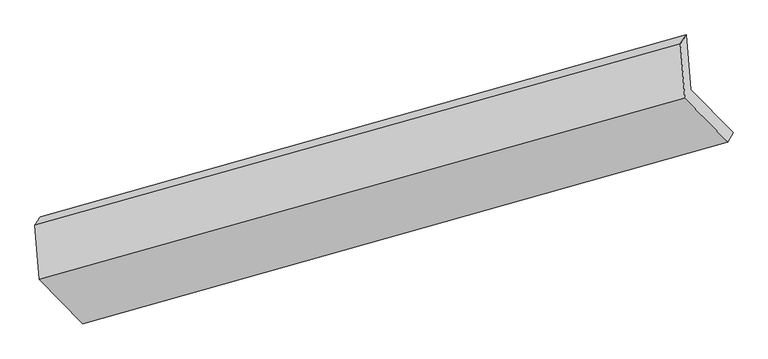
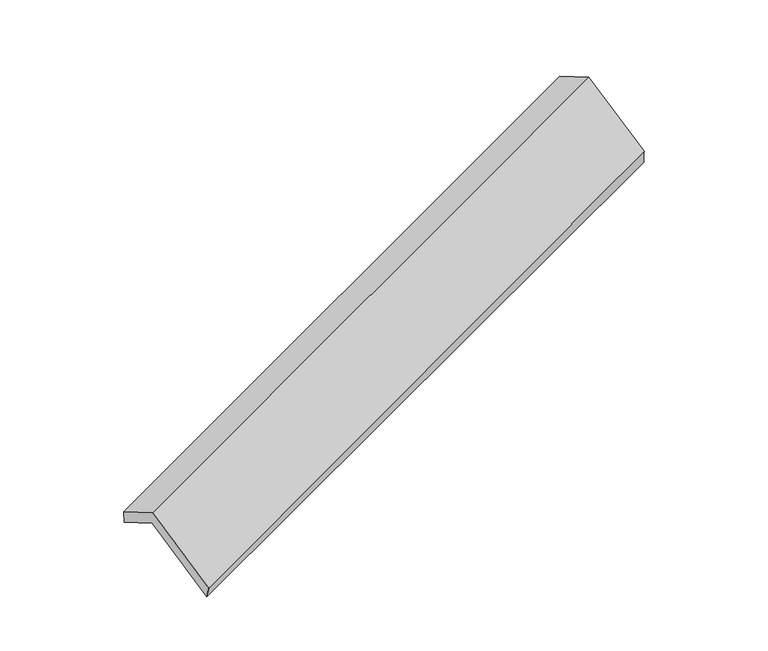
"""IFC4 building model written with IfcOpenShell, lengths in millimetres: proxy geometry."""

from ifc_helpers import new_model, si_unit, frame, origin, place, context, project, spatial, source, transform, mapped, element, save
from ifc_brep_helpers import plane_surface, spline_surface, advanced_brep


def generic_models_a4565ea8(model_context):
    return source(origin(), model_context, "Body", "AdvancedBrep", [
        advanced_brep(
        [(-4972.884267, -2072.3152064, 1361.5685233), (-5000.1846807, -1734.1331869, 1175.0588922), (-905.3247311, -579.3461812, 2648.7906243), (-877.3191845, -926.2629865, 2840.1175477), (-5033.3589628, -1784.845098, 1306.9332697), (-941.8681412, -634.6369536, 2793.614249), (-5005.2928192, -2132.5125444, 1498.6741767), (-913.8019976, -982.3044001, 2985.3551561), (-4728.8769458, -2414.4688354, 946.9663909), (-641.460385, -1260.1047667, 2441.7793252), (-4703.712065, -2346.8826355, 824.3186261), (-608.1469824, -1200.8304155, 2302.8676505)],
        [
            (0, 1),
            (1, 2),
            (2, 3),
            (3, 0),
            (1, 4),
            (4, 5),
            (5, 2),
            (4, 6),
            (6, 7),
            (7, 5),
            (6, 8),
            (8, 9),
            (9, 7),
            (8, 10),
            (10, 11),
            (11, 9),
            (10, 0),
            (3, 11),
        ],
        [
            plane_surface(frame((-4986.5344738, -1903.2241967, 1268.3137078), z_axis=(0.40944728059967284, -0.4150281597468978, -0.8124681846242574), x_axis=(-0.07051328882561679, 0.8734785731472116, -0.481729237592765))),
            spline_surface(1, 1, [[(-5000.1846807, -1734.1331869, 1175.0588922), (-905.3247311, -579.3461812, 2648.7906243)], [(-5033.3589628, -1784.845098, 1306.9332697), (-941.8681412, -634.6369536, 2793.614249)]], [2, 2], [2, 2], [0.0, 1.0], [0.0, 1.0]),
            plane_surface(frame((-5019.325891, -1958.6788212, 1402.8037232), z_axis=(-0.4114664380277507, 0.4144618375932277, 0.8117368758135854), x_axis=(0.07051328882563872, -0.8734785731472101, 0.4817292375927642))),
            plane_surface(frame((-4867.0848825, -2273.4906899, 1222.8202838), z_axis=(0.07051328882563815, -0.8734785731472088, 0.48172923759276703), x_axis=(0.4074260836112032, -0.4155924403182858, -0.8131954930664146))),
            spline_surface(1, 1, [[(-4728.8769458, -2414.4688354, 946.9663909), (-641.460385, -1260.1047667, 2441.7793252)], [(-4703.712065, -2346.8826355, 824.3186261), (-608.1469824, -1200.8304155, 2302.8676505)]], [2, 2], [2, 2], [0.0, 1.0], [0.0, 1.0]),
            plane_surface(frame((-4838.298166, -2209.5989209, 1092.9435747), z_axis=(-0.07051328882563546, 0.8734785731472077, -0.4817292375927695), x_axis=(-0.4074260836112121, 0.41559244031828646, 0.8131954930664097))),
            plane_surface(frame((-814.6535703, -930.5809506, 2668.7540921), z_axis=(0.910511868397228, 0.2536101453078118, 0.32657316439771955), x_axis=(0.2153978011500096, 0.3832561052458892, -0.8981751193678731))),
            plane_surface(frame((-4907.3849568, -2080.8595844, 1185.5866465), z_axis=(-0.9105118683972322, -0.25361014530776155, -0.3265731643977463), x_axis=(0.4074260836112113, -0.4155924403182865, -0.81319549306641))),
        ],
        [
            (0, [[1, 2, 3, 4]]),
            (1, [[5, 6, 7, -2]]),
            (2, [[8, 9, 10, -6]]),
            (3, [[11, 12, 13, -9]]),
            (4, [[14, 15, 16, -12]]),
            (5, [[17, -4, 18, -15]]),
            (6, [[-16, -18, -3, -7, -10, -13]]),
            (7, [[-17, -14, -11, -8, -5, -1]]),
        ],
    ),
    ])


if __name__ == "__main__":
    model = new_model("IFC4")
    model_context = context("Model", 3, world=origin())
    ifc_project = project(units=[si_unit("LENGTHUNIT", "METRE", prefix="MILLI")], contexts=[model_context])
    site = spatial("IfcSite", under=ifc_project)
    building = spatial("IfcBuilding", under=site)
    placement = place(None, origin())
    generic_models_shape = generic_models_a4565ea8(model_context)
    element("IfcBuildingElementProxy", 1, Name="Generic Models", at=placement, inside=building, context=model_context, shape_type="MappedRepresentation", body=[
        mapped(generic_models_shape, transform((0.0, 0.0, 0.0), x_axis=(1.0, 0.0, 0.0), y_axis=(0.0, 1.0, 0.0), z_axis=(0.0, 0.0, 1.0))),
    ])
    save(model, "model.ifc")
